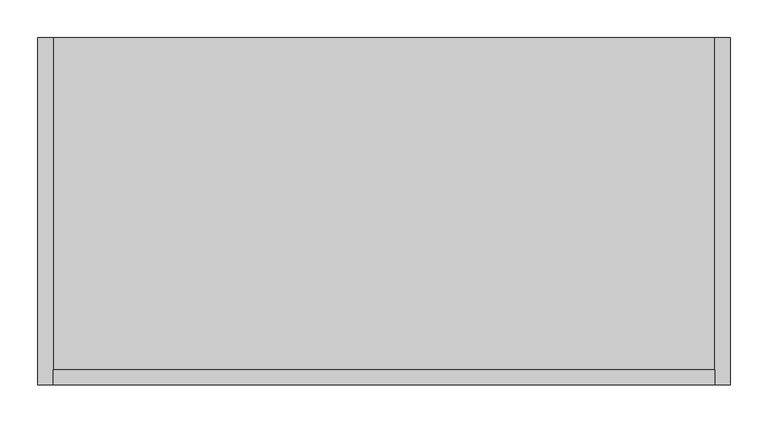
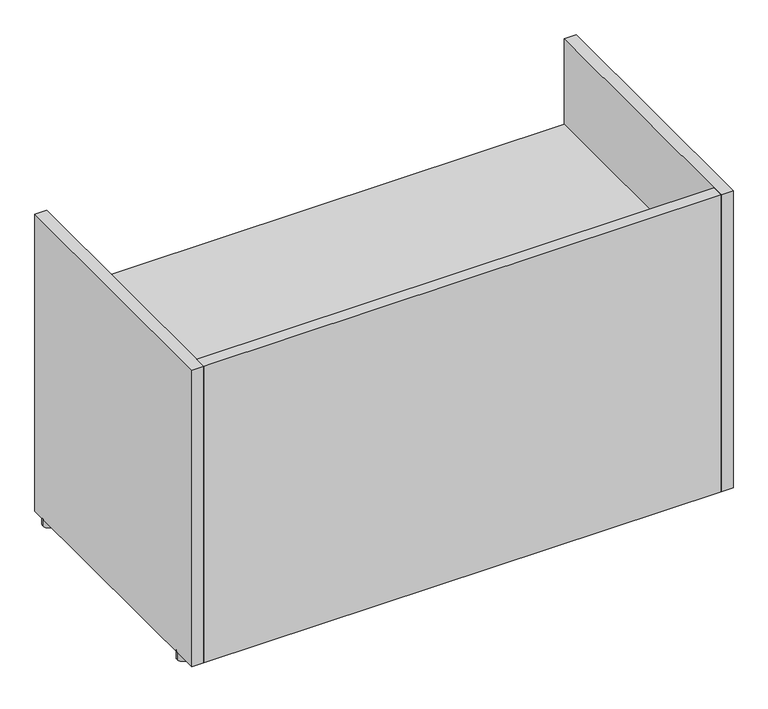
"""IFC4 building model written with IfcOpenShell, lengths in millimetres: furniture geometry."""

from ifc_helpers import new_model, si_unit, point, frame, frame_2d, origin, origin_with_axes, place, context, project, spatial, polyline, circle_curve, trimmed, segment, composite_curve, outline, extrude, source, transform, mapped, element, save


def furniture_2f0ac3d7(model_context):
    return source(origin(), model_context, "Body", "SweptSolid", [
        extrude(outline(polyline([(894.08, 436.245), (20.32, 436.245), (20.32, 459.105), (894.08, 459.105), (894.08, 436.245)])), frame((0.0, 0.0, 12.7), z_axis=(0.0, 0.0, 1.0), x_axis=(1.0, 0.0, 0.0)), (0.0, 0.0, 1.0), 72.39),
        extrude(outline(composite_curve([segment(trimmed(circle_curve(frame_2d((10.16, 43.18)), 10.16), [point((0.0, 43.18))], [point((20.32, 43.18))], False, "CARTESIAN"), True, "CONTINUOUS"), segment(trimmed(circle_curve(frame_2d((10.16, 43.18)), 10.16), [point((20.32, 43.18))], [point((0.0, 43.18))], False, "CARTESIAN"), True, "CONTINUOUS")], self_intersect=False)), origin_with_axes(), (0.0, 0.0, 1.0), 12.7),
        extrude(outline(composite_curve([segment(trimmed(circle_curve(frame_2d((904.24, 43.18)), 10.16), [point((894.08, 43.18))], [point((914.4, 43.18))], False, "CARTESIAN"), True, "CONTINUOUS"), segment(trimmed(circle_curve(frame_2d((904.24, 43.18)), 10.16), [point((914.4, 43.18))], [point((894.08, 43.18))], False, "CARTESIAN"), True, "CONTINUOUS")], self_intersect=False)), origin_with_axes(), (0.0, 0.0, 1.0), 12.7),
        extrude(outline(composite_curve([segment(trimmed(circle_curve(frame_2d((10.16, 436.245)), 10.16), [point((0.0, 436.245))], [point((20.32, 436.245))], False, "CARTESIAN"), True, "CONTINUOUS"), segment(trimmed(circle_curve(frame_2d((10.16, 436.245)), 10.16), [point((20.32, 436.245))], [point((0.0, 436.245))], False, "CARTESIAN"), True, "CONTINUOUS")], self_intersect=False)), origin_with_axes(), (0.0, 0.0, 1.0), 12.7),
        extrude(outline(composite_curve([segment(trimmed(circle_curve(frame_2d((904.24, 436.245)), 10.16), [point((894.08, 436.245))], [point((914.4, 436.245))], False, "CARTESIAN"), True, "CONTINUOUS"), segment(trimmed(circle_curve(frame_2d((904.24, 436.245)), 10.16), [point((914.4, 436.245))], [point((894.08, 436.245))], False, "CARTESIAN"), True, "CONTINUOUS")], self_intersect=False)), origin_with_axes(), (0.0, 0.0, 1.0), 12.7),
        extrude(outline(polyline([(894.08, 20.32), (20.32, 20.32), (20.32, 459.105), (894.08, 459.105), (894.08, 20.32)])), frame((0.0, 0.0, 370.205), z_axis=(0.0, 0.0, 1.0), x_axis=(1.0, 0.0, 0.0)), (0.0, 0.0, 1.0), 20.32),
        extrude(outline(polyline([(0.0, 12.7), (0.0, 542.925), (20.32, 542.925), (20.32, 105.41), (459.105, 105.41), (459.105, 85.09), (20.32, 85.09), (20.32, 12.7), (0.0, 12.7)])), frame((20.32, 0.0, 0.0), z_axis=(1.0, 0.0, 0.0), x_axis=(0.0, 1.0, 0.0)), (0.0, 0.0, 1.0), 873.76),
        extrude(outline(polyline([(20.32, 0.0), (0.0, 0.0), (0.0, 459.105), (20.32, 459.105), (20.32, 0.0)])), frame((0.0, 0.0, 12.7), z_axis=(0.0, 0.0, 1.0), x_axis=(1.0, 0.0, 0.0)), (0.0, 0.0, 1.0), 530.225),
        extrude(outline(polyline([(894.08, 0.0), (894.08, 459.105), (914.4, 459.105), (914.4, 0.0), (894.08, 0.0)])), frame((0.0, 0.0, 12.7), z_axis=(0.0, 0.0, 1.0), x_axis=(1.0, 0.0, 0.0)), (0.0, 0.0, 1.0), 530.225),
    ])


if __name__ == "__main__":
    model = new_model("IFC4")
    model_context = context("Model", 3, world=origin())
    ifc_project = project(units=[si_unit("LENGTHUNIT", "METRE", prefix="MILLI")], contexts=[model_context])
    site = spatial("IfcSite", under=ifc_project)
    building = spatial("IfcBuilding", under=site)
    placement = place(None, origin())
    furniture_shape = furniture_2f0ac3d7(model_context)
    element("IfcFurniture", 1, at=placement, inside=building, context=model_context, shape_type="MappedRepresentation", body=[
        mapped(furniture_shape, transform((0.0, 0.0, 0.0), x_axis=(1.0, 0.0, 0.0), y_axis=(0.0, 1.0, 0.0), z_axis=(0.0, 0.0, 1.0))),
    ])
    save(model, "model.ifc")
